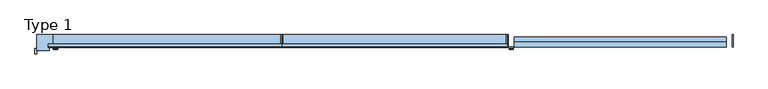
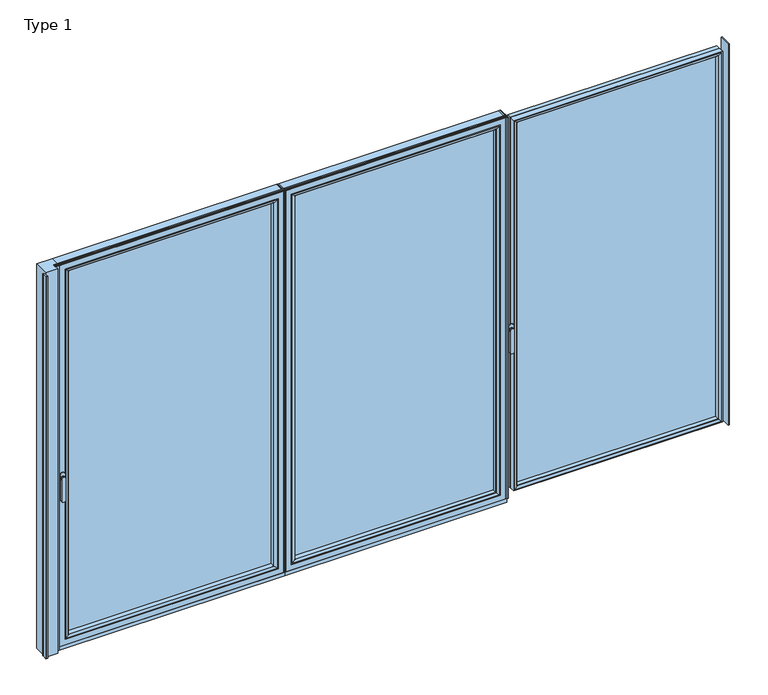
"""IFC4 building model written with IfcOpenShell, lengths in millimetres: window geometry, Type 1."""

from ifc_helpers import new_model, si_unit, point, frame, frame_2d, origin, place, context, project, spatial, polyline, circle_curve, ellipse_curve, trimmed, segment, composite_curve, outline, extrude, source, transform, mapped, element, save
from ifc_brep_helpers import plane_surface, cylinder_surface, extruded_surface, advanced_brep


def type_1_1b684b78(model_context):
    return source(origin(), model_context, "Body", "SolidModel", [
        advanced_brep(
        [(-1882.0115262, -73.5, 1050.0), (-1905.9887879, -73.5, 1050.0), (-1882.0115262, -76.8965533, 1050.0), (-1905.9887879, -76.8965533, 1050.0), (-1882.0115262, -84.5, 1050.0), (-1905.9887879, -84.5, 1050.0), (-1905.9887879, -84.5, 918.6867153), (-1882.0115262, -84.5, 918.6867153), (-1882.0115262, -76.8965533, 918.6867153), (-1905.9887879, -76.8965533, 918.6867153)],
        [
            (0, 1, circle_curve(frame((-1894.0001571, -73.5, 1050.0), z_axis=(0.0, 1.0, 0.0), x_axis=(-1.0, 0.0, 0.0)), 11.9886308)),
            (1, 0, circle_curve(frame((-1894.0001571, -73.5, 1050.0), z_axis=(0.0, 1.0, 0.0), x_axis=(-1.0, 0.0, 0.0)), 11.9886308)),
            (0, 2),
            (2, 3, circle_curve(frame((-1894.0001571, -76.8965533, 1050.0), z_axis=(0.0, 1.0, 0.0), x_axis=(-1.0, 0.0, 0.0)), 11.9886308)),
            (3, 1),
            (3, 2, circle_curve(frame((-1894.0001571, -76.8965533, 1050.0), z_axis=(0.0, 1.0, 0.0), x_axis=(-1.0, 0.0, 0.0)), 11.9886308)),
            (4, 5, circle_curve(frame((-1894.0001571, -84.5, 1050.0), z_axis=(0.0, -1.0, 0.0), x_axis=(-1.0, 0.0, 0.0)), 11.9886308)),
            (5, 6),
            (6, 7, ellipse_curve(frame((-1894.0001571, -84.5, 918.6867153), z_axis=(0.0, -1.0, 0.0), x_axis=(1.0, 0.0, 0.0)), 11.9886308, 7.9050795)),
            (7, 4),
            (2, 8),
            (8, 9, ellipse_curve(frame((-1894.0001571, -76.8965533, 918.6867153), z_axis=(0.0, 1.0, 0.0), x_axis=(1.0, 0.0, 0.0)), 11.9886308, 7.9050795)),
            (9, 3),
            (7, 8),
            (2, 4),
            (6, 9),
            (5, 3),
        ],
        [
            plane_surface(frame((-1905.9887879, -73.5, 1050.0), z_axis=(0.0, 1.0, 0.0), x_axis=(0.0, 0.0, -1.0))),
            cylinder_surface(frame((-1894.0001571, -73.5, 1050.0), z_axis=(0.0, -1.0, 0.0), x_axis=(-1.0, 0.0, 0.0)), 11.9886308),
            plane_surface(frame((-1882.0115262, -84.5, 928.3382074), z_axis=(0.0, -1.0, 0.0), x_axis=(0.0, 0.0, -1.0))),
            plane_surface(frame((-1882.0115262, -76.8965533, 928.3382074), z_axis=(0.0, 1.0, 0.0), x_axis=(0.0, 0.0, 1.0))),
            plane_surface(frame((-1882.0115262, -84.5, 1050.0), z_axis=(1.0, 0.0, 0.0), x_axis=(0.0, 1.0, 0.0))),
            extruded_surface(trimmed(ellipse_curve(frame((-1894.0001571, -76.8965533, 918.6867153), z_axis=(0.0, 1.0, 0.0), x_axis=(1.0, 0.0, 0.0)), 11.9886308, 7.9050795), [point((-1882.0115262, -76.8965533, 918.6867153))], [point((-1905.9887879, -76.8965533, 918.6867153))], True, "CARTESIAN"), (0.0, 7.603446699999992, 0.0), 7.603446699999992),
            plane_surface(frame((-1905.9887879, -84.5, 918.6867153), z_axis=(-1.0, 0.0, 0.0), x_axis=(0.0, 1.0, 0.0))),
            cylinder_surface(frame((-1894.0001571, -76.8965533, 1050.0), z_axis=(0.0, -1.0, 0.0), x_axis=(-1.0, 0.0, 0.0)), 11.9886308),
        ],
        [
            (0, [[1, 2]]),
            (1, [[3, 4, 5, -1]]),
            (1, [[-5, 6, -3, -2]]),
            (2, [[7, 8, 9, 10]]),
            (3, [[-4, 11, 12, 13]]),
            (4, [[14, -11, 15, -10]]),
            (5, [[16, -12, -14, -9]]),
            (6, [[17, -13, -16, -8]]),
            (7, [[-15, -6, -17, -7]]),
        ],
    ),
        extrude(outline(composite_curve([segment(trimmed(circle_curve(frame_2d((1068.75, -1894.0001571)), 14.0), [point((1068.75, -1880.0001571))], [point((1068.75, -1908.0001571))], False, "CARTESIAN"), True, "CONTINUOUS"), segment(polyline([(1068.75, -1908.0001571), (1031.25, -1908.0001571)]), True, "CONTINUOUS"), segment(trimmed(circle_curve(frame_2d((1031.25, -1894.0001571)), 14.0), [point((1031.25, -1908.0001571))], [point((1031.25, -1880.0001571))], False, "CARTESIAN"), True, "CONTINUOUS"), segment(polyline([(1031.25, -1880.0001571), (1068.75, -1880.0001571)]), True, "CONTINUOUS")], self_intersect=False)), frame((0.0, -73.5, 0.0), z_axis=(0.0, 1.0, 0.0), x_axis=(0.0, 0.0, 1.0)), (0.0, 0.0, 1.0), 3.5),
        advanced_brep(
        [(-2000.0005233, 0.0, 12.0), (-1910.0005233, 0.0, 12.0), (-1910.0005233, -70.0, 12.0), (-1930.0005233, -70.0, 12.0), (-1930.0005233, -90.0, 12.0), (-2000.0005233, -90.0, 12.0), (-2000.0005233, -90.0, 19.1682054), (-2000.0005233, -78.0, 19.1682054), (-2000.0005233, -78.0, 2327.0), (-2000.0005233, -90.0, 2327.0), (-2000.0005233, -90.0, 2337.0), (-2000.0005233, 0.0, 2337.0), (-1930.0005233, -90.0, 2337.0), (-1930.0005233, -70.0, 2337.0), (-1910.0005233, -70.0, 2337.0), (-1910.0005233, 0.0, 2337.0), (-2007.5005233, -78.0, 19.1682054), (-2007.5005233, -78.0, 2327.0), (-2000.0005233, -109.0, 19.1682054), (-2007.5005233, -109.0, 19.1682054), (-2010.0005233, -106.5, 19.1682054), (-2010.0005233, -80.5, 19.1682054), (-2000.0005233, -109.0, 2327.0), (-2010.0005233, -80.5, 2327.0), (-2010.0005233, -106.5, 2327.0), (-2007.5005233, -109.0, 2327.0)],
        [
            (0, 1),
            (1, 2),
            (2, 3),
            (3, 4),
            (4, 5),
            (5, 0),
            (5, 6),
            (6, 7),
            (7, 8),
            (8, 9),
            (9, 10),
            (10, 11),
            (11, 0),
            (4, 12),
            (12, 10),
            (9, 6),
            (3, 13),
            (13, 12),
            (2, 14),
            (14, 13),
            (1, 15),
            (15, 14),
            (11, 15),
            (16, 17),
            (17, 8),
            (7, 16),
            (6, 18),
            (18, 19),
            (19, 20, circle_curve(frame((-2007.5005233, -106.5, 19.1682054), z_axis=(0.0, 0.0, -1.0), x_axis=(0.0, -1.0, 0.0)), 2.5)),
            (20, 21),
            (21, 16, circle_curve(frame((-2007.5005233, -80.5, 19.1682054), z_axis=(0.0, 0.0, -1.0), x_axis=(0.0, -1.0, 0.0)), 2.5)),
            (9, 22),
            (22, 18),
            (21, 23),
            (23, 17, circle_curve(frame((-2007.5005233, -80.5, 2327.0), z_axis=(0.0, 0.0, -1.0), x_axis=(0.0, -1.0, 0.0)), 2.5)),
            (20, 24),
            (24, 23),
            (19, 25),
            (25, 24, circle_curve(frame((-2007.5005233, -106.5, 2327.0), z_axis=(0.0, 0.0, -1.0), x_axis=(0.0, -1.0, 0.0)), 2.5)),
            (22, 25),
        ],
        [
            plane_surface(frame((-1910.0001571, 0.0, 12.0), z_axis=(0.0, 0.0, -1.0), x_axis=(-1.0, 0.0, 0.0))),
            plane_surface(frame((-2000.0005233, 0.0, 12.0), z_axis=(-1.0, 0.0, 0.0), x_axis=(0.0, 0.0, 1.0))),
            plane_surface(frame((-2000.0005233, -90.0, 12.0), z_axis=(0.0, -1.0, 0.0), x_axis=(0.0, 0.0, 1.0))),
            plane_surface(frame((-1930.0005233, -90.0, 12.0), z_axis=(1.0, 0.0, 0.0), x_axis=(0.0, 0.0, 1.0))),
            plane_surface(frame((-1930.0005233, -70.0, 12.0), z_axis=(0.0, -1.0, 0.0), x_axis=(0.0, 0.0, 1.0))),
            plane_surface(frame((-1910.0005233, -70.0, 12.0), z_axis=(1.0, 0.0, 0.0), x_axis=(0.0, 0.0, 1.0))),
            plane_surface(frame((-1910.0005233, 0.0, 12.0), z_axis=(0.0, 1.0, 0.0), x_axis=(0.0, 0.0, 1.0))),
            plane_surface(frame((-1910.0001571, 0.0, 2337.0), z_axis=(0.0, 0.0, 1.0), x_axis=(-1.0, 0.0, 0.0))),
            plane_surface(frame((-2000.0005233, -78.0, 19.1682054), z_axis=(0.0, 1.0, 0.0), x_axis=(0.0, 0.0, 1.0))),
            plane_surface(frame((-2000.0005233, 0.0, 19.1682054), z_axis=(0.0, 0.0, -1.0), x_axis=(-1.0, 0.0, 0.0))),
            plane_surface(frame((-2000.0005233, -109.0, 19.1682054), z_axis=(1.0, 0.0, 0.0), x_axis=(0.0, 0.0, 1.0))),
            cylinder_surface(frame((-2007.5005233, -80.5, 19.1682054), z_axis=(0.0, 0.0, -1.0), x_axis=(0.0, -1.0, 0.0)), 2.5),
            plane_surface(frame((-2010.0005233, -80.5, 19.1682054), z_axis=(-1.0, 0.0, 0.0), x_axis=(0.0, 0.0, 1.0))),
            cylinder_surface(frame((-2007.5005233, -106.5, 19.1682054), z_axis=(0.0, 0.0, -1.0), x_axis=(0.0, -1.0, 0.0)), 2.5),
            plane_surface(frame((-2007.5005233, -109.0, 19.1682054), z_axis=(0.0, -1.0, 0.0), x_axis=(0.0, 0.0, 1.0))),
            plane_surface(frame((-2000.0005233, 0.0, 2327.0), z_axis=(0.0, 0.0, 1.0), x_axis=(-1.0, 0.0, 0.0))),
        ],
        [
            (0, [[1, 2, 3, 4, 5, 6]]),
            (1, [[7, 8, 9, 10, 11, 12, 13, -6]]),
            (2, [[14, 15, -11, 16, -7, -5]]),
            (3, [[17, 18, -14, -4]]),
            (4, [[19, 20, -17, -3]]),
            (5, [[21, 22, -19, -2]]),
            (6, [[-13, 23, -21, -1]]),
            (7, [[-12, -15, -18, -20, -22, -23]]),
            (8, [[24, 25, -9, 26]]),
            (9, [[-8, 27, 28, 29, 30, 31, -26]]),
            (10, [[-27, -16, 32, 33]]),
            (11, [[34, 35, -24, -31]]),
            (12, [[36, 37, -34, -30]]),
            (13, [[38, 39, -36, -29]]),
            (14, [[-33, 40, -38, -28]]),
            (15, [[-32, -10, -25, -35, -37, -39, -40]]),
        ],
    ),
        extrude(outline(polyline([(-622.0001571, 0.0), (-622.0001571, -70.0), (-628.0001571, -70.0), (-628.0001571, 0.0), (-622.0001571, 0.0)])), frame((0.0, 0.0, 34.0), z_axis=(0.0, 0.0, 1.0), x_axis=(1.0, 0.0, 0.0)), (0.0, 0.0, 1.0), 2303.0),
        extrude(outline(polyline([(-660.0001571, -13.999939), (-660.0001571, -37.9928974), (-1878.0001571, -37.9928974), (-1878.0001571, -13.999939), (-660.0001571, -13.999939)])), frame((0.0, 0.0, 66.0), z_axis=(0.0, 0.0, 1.0), x_axis=(1.0, 0.0, 0.0)), (0.0, 0.0, 1.0), 2239.0),
        advanced_brep(
        [(-1856.0005843, -64.5552044, 2283.0004272), (-1856.0005843, -64.5552044, 87.9995728), (-1856.0005843, -37.9928974, 87.9995728), (-1856.0005843, -37.9928974, 2283.0004272), (-1878.0001571, -37.9928974, 2305.0), (-660.0001571, -37.9928974, 2305.0), (-660.0001571, -37.9928974, 66.0), (-1878.0001571, -37.9928974, 66.0), (-681.9997298, -37.9928974, 2283.0004272), (-681.9997298, -37.9928974, 87.9995728), (-681.9997298, -64.5552044, 87.9995728), (-1856.7101277, -65.8045072, 2283.7099707), (-1856.7101277, -65.8045072, 87.2900293), (-681.2901864, -65.8045072, 87.2900293), (-1872.0002181, -70.0, 2299.000061), (-1872.0002181, -70.0, 71.999939), (-666.000096, -70.0, 71.999939), (-660.0001571, -70.0, 2305.0), (-1878.0001571, -70.0, 2305.0), (-1878.0001571, -70.0, 66.0), (-660.0001571, -70.0, 66.0), (-666.000096, -70.0, 2299.000061), (-681.9997298, -64.5552044, 2283.0004272), (-681.2901864, -65.8045072, 2283.7099707)],
        [
            (0, 1),
            (1, 2),
            (2, 3),
            (3, 0),
            (4, 5),
            (5, 6),
            (6, 7),
            (7, 4),
            (8, 3),
            (2, 9),
            (9, 8),
            (1, 10),
            (10, 9),
            (11, 12),
            (12, 1, ellipse_curve(frame((-1857.4551883, -64.5552044, 86.5449688), z_axis=(-0.7071067811865475, 0.0, 0.7071067811865475), x_axis=(0.7071067811865474, 0.0, 0.7071067811865476)), 2.0571207, 1.454604)),
            (0, 11, ellipse_curve(frame((-1857.4551883, -64.5552044, 2284.4550312), z_axis=(-0.7071067811865475, 0.0, -0.7071067811865475), x_axis=(-0.7071067811865474, 0.0, 0.7071067811865476)), 2.0571207, 1.454604)),
            (12, 13),
            (13, 10, ellipse_curve(frame((-680.5451258, -64.5552044, 86.5449688), z_axis=(-0.7071067811865475, 0.0, -0.7071067811865475), x_axis=(-0.7071067811865476, 0.0, 0.7071067811865474)), 2.0571207, 1.454604)),
            (14, 15),
            (15, 12, ellipse_curve(frame((-1871.9362825, -40.2735922, 72.0638746), z_axis=(-0.7071067811865475, 0.0, 0.7071067811865475), x_axis=(0.7071067811865474, 0.0, 0.7071067811865476)), 42.0395863, 29.7264765)),
            (11, 14, ellipse_curve(frame((-1871.9362825, -40.2735922, 2298.9361254), z_axis=(-0.7071067811865475, 0.0, -0.7071067811865475), x_axis=(-0.7071067811865474, 0.0, 0.7071067811865476)), 42.0395863, 29.7264765)),
            (15, 16),
            (16, 13, ellipse_curve(frame((-666.0640316, -40.2735922, 72.0638746), z_axis=(-0.7071067811865475, 0.0, -0.7071067811865475), x_axis=(-0.7071067811865476, 0.0, 0.7071067811865474)), 42.0395863, 29.7264765)),
            (17, 18),
            (18, 19),
            (19, 20),
            (20, 17),
            (14, 21),
            (21, 16),
            (7, 19),
            (18, 4),
            (6, 20),
            (10, 22),
            (22, 8),
            (13, 23),
            (23, 22, ellipse_curve(frame((-680.5451258, -64.5552044, 2284.4550312), z_axis=(0.7071067811865475, 0.0, -0.7071067811865475), x_axis=(-0.7071067811865474, 0.0, -0.7071067811865476)), 2.0571207, 1.454604)),
            (21, 23, ellipse_curve(frame((-666.0640316, -40.2735922, 2298.9361254), z_axis=(0.7071067811865475, 0.0, -0.7071067811865475), x_axis=(-0.7071067811865474, 0.0, -0.7071067811865476)), 42.0395863, 29.7264765)),
            (5, 17),
            (22, 0),
            (23, 11),
        ],
        [
            plane_surface(frame((-1856.0005843, -37.9928974, 2283.0004272), z_axis=(1.0, 0.0, 0.0), x_axis=(0.0, 0.0, -1.0))),
            plane_surface(frame((-660.0001571, -37.9928974, 66.0), z_axis=(0.0, 1.0, 0.0), x_axis=(0.0, 0.0, 1.0))),
            plane_surface(frame((-1856.0005843, -37.9928974, 87.9995728), z_axis=(0.0, 0.0, 1.0), x_axis=(1.0, 0.0, 0.0))),
            cylinder_surface(frame((-1857.4551883, -64.5552044, 2283.0004272), z_axis=(0.0, 0.0, 1.0), x_axis=(-1.0, 0.0, 0.0)), 1.454604),
            cylinder_surface(frame((-1856.0005843, -64.5552044, 86.5449688), z_axis=(-1.0, 0.0, 0.0), x_axis=(0.0, 0.0, -1.0)), 1.454604),
            cylinder_surface(frame((-1871.9362825, -40.2735922, 2283.0004272), z_axis=(0.0, 0.0, 1.0), x_axis=(-1.0, 0.0, 0.0)), 29.7264765),
            cylinder_surface(frame((-1856.0005843, -40.2735922, 72.0638746), z_axis=(-1.0, 0.0, 0.0), x_axis=(0.0, 0.0, -1.0)), 29.7264765),
            plane_surface(frame((-666.000096, -70.0, 71.999939), z_axis=(0.0, -1.0, 0.0), x_axis=(0.0, 0.0, 1.0))),
            plane_surface(frame((-1878.0001571, -70.0, 2305.0), z_axis=(-1.0, 0.0, 0.0), x_axis=(0.0, 0.0, -1.0))),
            plane_surface(frame((-1878.0001571, -70.0, 66.0), z_axis=(0.0, 0.0, -1.0), x_axis=(1.0, 0.0, 0.0))),
            plane_surface(frame((-681.9997298, -37.9928974, 87.9995728), z_axis=(-1.0, 0.0, 0.0), x_axis=(0.0, 0.0, 1.0))),
            cylinder_surface(frame((-680.5451258, -64.5552044, 87.9995728), z_axis=(0.0, 0.0, -1.0), x_axis=(1.0, 0.0, 0.0)), 1.454604),
            cylinder_surface(frame((-666.0640316, -40.2735922, 87.9995728), z_axis=(0.0, 0.0, -1.0), x_axis=(1.0, 0.0, 0.0)), 29.7264765),
            plane_surface(frame((-660.0001571, -70.0, 66.0), z_axis=(1.0, 0.0, 0.0), x_axis=(0.0, 0.0, 1.0))),
            plane_surface(frame((-681.9997298, -37.9928974, 2283.0004272), z_axis=(0.0, 0.0, -1.0), x_axis=(-1.0, 0.0, 0.0))),
            cylinder_surface(frame((-681.9997298, -64.5552044, 2284.4550312), z_axis=(1.0, 0.0, 0.0), x_axis=(0.0, 0.0, 1.0)), 1.454604),
            cylinder_surface(frame((-681.9997298, -40.2735922, 2298.9361254), z_axis=(1.0, 0.0, 0.0), x_axis=(0.0, 0.0, 1.0)), 29.7264765),
            plane_surface(frame((-660.0001571, -70.0, 2305.0), z_axis=(0.0, 0.0, 1.0), x_axis=(-1.0, 0.0, 0.0))),
        ],
        [
            (0, [[1, 2, 3, 4]]),
            (1, [[5, 6, 7, 8], [9, -3, 10, 11]]),
            (2, [[12, 13, -10, -2]]),
            (3, [[14, 15, -1, 16]]),
            (4, [[17, 18, -12, -15]]),
            (5, [[19, 20, -14, 21]]),
            (6, [[22, 23, -17, -20]]),
            (7, [[24, 25, 26, 27], [28, 29, -22, -19]]),
            (8, [[-8, 30, -25, 31]]),
            (9, [[-7, 32, -26, -30]]),
            (10, [[33, 34, -11, -13]]),
            (11, [[35, 36, -33, -18]]),
            (12, [[-29, 37, -35, -23]]),
            (13, [[-6, 38, -27, -32]]),
            (14, [[39, -4, -9, -34]]),
            (15, [[40, -16, -39, -36]]),
            (16, [[-28, -21, -40, -37]]),
            (17, [[-5, -31, -24, -38]]),
        ],
    ),
        advanced_brep(
        [(-628.0001571, -70.0, 2337.0), (-628.0001571, -70.0, 34.0), (-628.0001571, 0.0, 34.0), (-628.0001571, 0.0, 2337.0), (-1910.0001571, -70.0, 34.0), (-1910.0001571, 0.0, 34.0), (-1910.0001571, 0.0, 2337.0), (-1860.500967, 0.0, 83.4991901), (-677.4993471, 0.0, 83.4991901), (-677.4993471, 0.0, 2287.5008099), (-1860.500967, 0.0, 2287.5008099), (-1910.0001571, -70.0, 2337.0), (-660.0001571, -70.0, 66.0), (-1878.0001571, -70.0, 66.0), (-1878.0001571, -70.0, 2305.0), (-660.0001571, -70.0, 2305.0), (-660.0001571, -13.999939, 2305.0), (-660.0001571, -13.999939, 66.0), (-1878.0001571, -13.999939, 66.0), (-1878.0001571, -13.999939, 2305.0), (-681.9997298, -13.999939, 87.9995728), (-1856.0005843, -13.999939, 87.9995728), (-1856.0005843, -13.999939, 2283.0004272), (-681.9997298, -13.999939, 2283.0004272), (-681.9997298, -4.5004435, 2283.0004272), (-681.9997298, -4.5004435, 87.9995728), (-1856.0005843, -4.5004435, 87.9995728), (-1856.0005843, -4.5004435, 2283.0004272)],
        [
            (0, 1),
            (1, 2),
            (2, 3),
            (3, 0),
            (1, 4),
            (4, 5),
            (5, 2),
            (5, 6),
            (6, 3),
            (7, 8),
            (8, 9),
            (9, 10),
            (10, 7),
            (4, 11),
            (11, 6),
            (0, 11),
            (12, 13),
            (13, 14),
            (14, 15),
            (15, 12),
            (16, 17),
            (17, 12),
            (15, 16),
            (17, 18),
            (18, 13),
            (18, 19),
            (19, 14),
            (16, 19),
            (20, 21),
            (21, 22),
            (22, 23),
            (23, 20),
            (24, 25),
            (25, 20),
            (23, 24),
            (25, 26),
            (26, 21),
            (26, 27),
            (27, 22),
            (7, 26, ellipse_curve(frame((-1860.500967, -4.5004435, 83.4991901), z_axis=(0.7071067811865475, 0.0, -0.7071067811865475), x_axis=(0.7071067811865476, 0.0, 0.7071067811865474)), 6.3645023, 4.5003827)),
            (25, 8, ellipse_curve(frame((-677.4993471, -4.5004435, 83.4991901), z_axis=(-0.7071067811865475, 0.0, -0.7071067811865475), x_axis=(0.7071067811865476, 0.0, -0.7071067811865474)), 6.3645023, 4.5003827)),
            (24, 9, ellipse_curve(frame((-677.4993471, -4.5004435, 2287.5008099), z_axis=(0.7071067811865475, 0.0, -0.7071067811865475), x_axis=(0.7071067811865474, 0.0, 0.7071067811865476)), 6.3645023, 4.5003827)),
            (10, 27, ellipse_curve(frame((-1860.500967, -4.5004435, 2287.5008099), z_axis=(-0.7071067811865475, 0.0, -0.7071067811865475), x_axis=(0.7071067811865474, 0.0, -0.7071067811865476)), 6.3645023, 4.5003827)),
            (27, 24),
        ],
        [
            plane_surface(frame((-628.0001571, 0.0, 2337.0), z_axis=(1.0, 0.0, 0.0), x_axis=(0.0, 0.0, -1.0))),
            plane_surface(frame((-628.0001571, 0.0, 34.0), z_axis=(0.0, 0.0, -1.0), x_axis=(-1.0, 0.0, 0.0))),
            plane_surface(frame((-677.4993471, 0.0, 2287.5008099), z_axis=(0.0, 1.0, 0.0), x_axis=(0.0, 0.0, -1.0))),
            plane_surface(frame((-1910.0001571, 0.0, 34.0), z_axis=(-1.0, 0.0, 0.0), x_axis=(0.0, 0.0, 1.0))),
            plane_surface(frame((-628.0001571, -70.0, 2337.0), z_axis=(0.0, -1.0, 0.0), x_axis=(0.0, 0.0, -1.0))),
            plane_surface(frame((-660.0001571, -70.0, 2305.0), z_axis=(-1.0, 0.0, 0.0), x_axis=(0.0, 0.0, -1.0))),
            plane_surface(frame((-660.0001571, -70.0, 66.0), z_axis=(0.0, 0.0, 1.0), x_axis=(-1.0, 0.0, 0.0))),
            plane_surface(frame((-1878.0001571, -70.0, 66.0), z_axis=(1.0, 0.0, 0.0), x_axis=(0.0, 0.0, 1.0))),
            plane_surface(frame((-660.0001571, -13.999939, 2305.0), z_axis=(0.0, -1.0, 0.0), x_axis=(0.0, 0.0, -1.0))),
            plane_surface(frame((-681.9997298, -13.999939, 2283.0004272), z_axis=(-1.0, 0.0, 0.0), x_axis=(0.0, 0.0, -1.0))),
            plane_surface(frame((-681.9997298, -13.999939, 87.9995728), z_axis=(0.0, 0.0, 1.0), x_axis=(-1.0, 0.0, 0.0))),
            plane_surface(frame((-1856.0005843, -13.999939, 87.9995728), z_axis=(1.0, 0.0, 0.0), x_axis=(0.0, 0.0, 1.0))),
            cylinder_surface(frame((-622.0001571, -4.5004435, 83.4991901), z_axis=(1.0, 0.0, 0.0), x_axis=(0.0, -1.0, 0.0)), 4.5003827),
            cylinder_surface(frame((-677.4993471, -4.5004435, 2343.0), z_axis=(0.0, 0.0, 1.0), x_axis=(0.0, -1.0, 0.0)), 4.5003827),
            cylinder_surface(frame((-1860.500967, -4.5004435, 28.0), z_axis=(0.0, 0.0, -1.0), x_axis=(0.0, -1.0, 0.0)), 4.5003827),
            plane_surface(frame((-1910.0001571, 0.0, 2337.0), z_axis=(0.0, 0.0, 1.0), x_axis=(1.0, 0.0, 0.0))),
            plane_surface(frame((-1878.0001571, -70.0, 2305.0), z_axis=(0.0, 0.0, -1.0), x_axis=(1.0, 0.0, 0.0))),
            plane_surface(frame((-1856.0005843, -13.999939, 2283.0004272), z_axis=(0.0, 0.0, -1.0), x_axis=(1.0, 0.0, 0.0))),
            cylinder_surface(frame((-1916.0001571, -4.5004435, 2287.5008099), z_axis=(-1.0, 0.0, 0.0), x_axis=(0.0, -1.0, 0.0)), 4.5003827),
        ],
        [
            (0, [[1, 2, 3, 4]]),
            (1, [[5, 6, 7, -2]]),
            (2, [[-7, 8, 9, -3], [10, 11, 12, 13]]),
            (3, [[14, 15, -8, -6]]),
            (4, [[-5, -1, 16, -14], [17, 18, 19, 20]]),
            (5, [[21, 22, -20, 23]]),
            (6, [[24, 25, -17, -22]]),
            (7, [[26, 27, -18, -25]]),
            (8, [[-24, -21, 28, -26], [29, 30, 31, 32]]),
            (9, [[33, 34, -32, 35]]),
            (10, [[36, 37, -29, -34]]),
            (11, [[38, 39, -30, -37]]),
            (12, [[-10, 40, -36, 41]]),
            (13, [[-11, -41, -33, 42]]),
            (14, [[-13, 43, -38, -40]]),
            (15, [[-16, -4, -9, -15]]),
            (16, [[-28, -23, -19, -27]]),
            (17, [[44, -35, -31, -39]]),
            (18, [[-12, -42, -44, -43]]),
        ],
    ),
        extrude(outline(composite_curve([segment(polyline([(-52.044326, 2339.1400778), (-52.044326, 2337.0), (-70.0, 2337.0), (-71.8735116, 2343.9547971)]), True, "CONTINUOUS"), segment(trimmed(circle_curve(frame_2d((-69.9423544, 2344.4750201)), 2.0), [point((-71.8735116, 2343.9547971))], [point((-71.8738669, 2344.9939222))], False, "CARTESIAN"), True, "CONTINUOUS"), segment(polyline([(-71.8738669, 2344.9939222), (-70.8937897, 2348.6420698), (-70.0, 2348.6420698), (-70.0, 2342.963961), (-68.6363596, 2339.1400778), (-52.044326, 2339.1400778)]), True, "CONTINUOUS")], self_intersect=False)), frame((-1933.6001571, 0.0, 0.0), z_axis=(1.0, 0.0, 0.0), x_axis=(0.0, 1.0, 0.0)), (0.0, 0.0, 1.0), 1311.6),
        extrude(outline(polyline([(-622.0001571, -7.6000076), (-1910.0001571, -7.6000076), (-1910.0001571, 0.0), (-622.0001571, 0.0), (-622.0001571, -7.6000076)])), frame((0.0, 0.0, 12.0), z_axis=(0.0, 0.0, 1.0), x_axis=(1.0, 0.0, 0.0)), (0.0, 0.0, 1.0), 22.0),
        extrude(outline(polyline([(-622.0001571, -70.0), (-1910.0001571, -70.0), (-1910.0001571, -62.2757497), (-622.0001571, -62.2757497), (-622.0001571, -70.0)])), frame((0.0, 0.0, 12.0), z_axis=(0.0, 0.0, 1.0), x_axis=(1.0, 0.0, 0.0)), (0.0, 0.0, 1.0), 22.0),
        extrude(outline(polyline([(-622.0000785, 0.0), (-616.0000785, 0.0), (-616.0000785, -70.0), (-622.0000785, -70.0), (-622.0000785, 0.0)])), frame((0.0, 0.0, 34.0), z_axis=(0.0, 0.0, 1.0), x_axis=(1.0, 0.0, 0.0)), (0.0, 0.0, 1.0), 2303.0),
        extrude(outline(polyline([(648.3999215, 0.0), (648.3999215, -70.0), (642.3999215, -70.0), (642.3999215, 0.0), (648.3999215, 0.0)])), frame((0.0, 0.0, 34.0), z_axis=(0.0, 0.0, 1.0), x_axis=(1.0, 0.0, 0.0)), (0.0, 0.0, 1.0), 2303.0),
        extrude(outline(polyline([(-584.0000785, -13.999939), (610.3999215, -13.999939), (610.3999215, -37.9928974), (-584.0000785, -37.9928974), (-584.0000785, -13.999939)])), frame((0.0, 0.0, 66.0), z_axis=(0.0, 0.0, 1.0), x_axis=(1.0, 0.0, 0.0)), (0.0, 0.0, 1.0), 2239.0),
        advanced_brep(
        [(588.4003487, -64.5552044, 2283.0004272), (588.4003487, -37.9928974, 2283.0004272), (588.4003487, -37.9928974, 87.9995728), (588.4003487, -64.5552044, 87.9995728), (610.3999215, -37.9928974, 2305.0), (610.3999215, -37.9928974, 66.0), (-584.0000785, -37.9928974, 66.0), (-584.0000785, -37.9928974, 2305.0), (-562.0005058, -37.9928974, 2283.0004272), (-562.0005058, -37.9928974, 87.9995728), (-562.0005058, -64.5552044, 87.9995728), (589.1098921, -65.8045072, 2283.7099707), (589.1098921, -65.8045072, 87.2900293), (-562.7100492, -65.8045072, 87.2900293), (604.3999825, -70.0, 2299.000061), (604.3999825, -70.0, 71.999939), (-578.0001396, -70.0, 71.999939), (-584.0000785, -70.0, 2305.0), (-584.0000785, -70.0, 66.0), (610.3999215, -70.0, 66.0), (610.3999215, -70.0, 2305.0), (-578.0001396, -70.0, 2299.000061), (-562.0005058, -64.5552044, 2283.0004272), (-562.7100492, -65.8045072, 2283.7099707)],
        [
            (0, 1),
            (1, 2),
            (2, 3),
            (3, 0),
            (4, 5),
            (5, 6),
            (6, 7),
            (7, 4),
            (8, 9),
            (9, 2),
            (1, 8),
            (9, 10),
            (10, 3),
            (11, 0, ellipse_curve(frame((589.8549527, -64.5552044, 2284.4550312), z_axis=(0.7071067811865475, 0.0, -0.7071067811865475), x_axis=(0.7071067811865474, 0.0, 0.7071067811865476)), 2.0571207, 1.454604)),
            (3, 12, ellipse_curve(frame((589.8549527, -64.5552044, 86.5449688), z_axis=(0.7071067811865475, 0.0, 0.7071067811865475), x_axis=(-0.7071067811865474, 0.0, 0.7071067811865476)), 2.0571207, 1.454604)),
            (12, 11),
            (10, 13, ellipse_curve(frame((-563.4551097, -64.5552044, 86.5449688), z_axis=(0.7071067811865475, 0.0, -0.7071067811865475), x_axis=(0.7071067811865476, 0.0, 0.7071067811865474)), 2.0571207, 1.454604)),
            (13, 12),
            (14, 11, ellipse_curve(frame((604.3360469, -40.2735922, 2298.9361254), z_axis=(0.7071067811865475, 0.0, -0.7071067811865475), x_axis=(0.7071067811865474, 0.0, 0.7071067811865476)), 42.0395863, 29.7264765)),
            (12, 15, ellipse_curve(frame((604.3360469, -40.2735922, 72.0638746), z_axis=(0.7071067811865475, 0.0, 0.7071067811865475), x_axis=(-0.7071067811865474, 0.0, 0.7071067811865476)), 42.0395863, 29.7264765)),
            (15, 14),
            (13, 16, ellipse_curve(frame((-577.936204, -40.2735922, 72.0638746), z_axis=(0.7071067811865475, 0.0, -0.7071067811865475), x_axis=(0.7071067811865476, 0.0, 0.7071067811865474)), 42.0395863, 29.7264765)),
            (16, 15),
            (17, 18),
            (18, 19),
            (19, 20),
            (20, 17),
            (16, 21),
            (21, 14),
            (4, 20),
            (19, 5),
            (18, 6),
            (8, 22),
            (22, 10),
            (22, 23, ellipse_curve(frame((-563.4551097, -64.5552044, 2284.4550312), z_axis=(-0.7071067811865475, 0.0, -0.7071067811865475), x_axis=(0.7071067811865474, 0.0, -0.7071067811865476)), 2.0571207, 1.454604)),
            (23, 13),
            (23, 21, ellipse_curve(frame((-577.936204, -40.2735922, 2298.9361254), z_axis=(-0.7071067811865475, 0.0, -0.7071067811865475), x_axis=(0.7071067811865474, 0.0, -0.7071067811865476)), 42.0395863, 29.7264765)),
            (17, 7),
            (0, 22),
            (11, 23),
        ],
        [
            plane_surface(frame((588.4003487, -37.9928974, 2283.0004272), z_axis=(-1.0, 0.0, 0.0), x_axis=(0.0, 0.0, -1.0))),
            plane_surface(frame((-584.0000785, -37.9928974, 66.0), z_axis=(0.0, 1.0, 0.0), x_axis=(0.0, 0.0, 1.0))),
            plane_surface(frame((588.4003487, -37.9928974, 87.9995728), z_axis=(0.0, 0.0, 1.0), x_axis=(-1.0, 0.0, 0.0))),
            cylinder_surface(frame((589.8549527, -64.5552044, 2283.0004272), z_axis=(0.0, 0.0, 1.0), x_axis=(1.0, 0.0, 0.0)), 1.454604),
            cylinder_surface(frame((588.4003487, -64.5552044, 86.5449688), z_axis=(1.0, 0.0, 0.0), x_axis=(0.0, 0.0, -1.0)), 1.454604),
            cylinder_surface(frame((604.3360469, -40.2735922, 2283.0004272), z_axis=(0.0, 0.0, 1.0), x_axis=(1.0, 0.0, 0.0)), 29.7264765),
            cylinder_surface(frame((588.4003487, -40.2735922, 72.0638746), z_axis=(1.0, 0.0, 0.0), x_axis=(0.0, 0.0, -1.0)), 29.7264765),
            plane_surface(frame((-578.0001396, -70.0, 71.999939), z_axis=(0.0, -1.0, 0.0), x_axis=(0.0, 0.0, 1.0))),
            plane_surface(frame((610.3999215, -70.0, 2305.0), z_axis=(1.0, 0.0, 0.0), x_axis=(0.0, 0.0, -1.0))),
            plane_surface(frame((610.3999215, -70.0, 66.0), z_axis=(0.0, 0.0, -1.0), x_axis=(-1.0, 0.0, 0.0))),
            plane_surface(frame((-562.0005058, -37.9928974, 87.9995728), z_axis=(1.0, 0.0, 0.0), x_axis=(0.0, 0.0, 1.0))),
            cylinder_surface(frame((-563.4551097, -64.5552044, 87.9995728), z_axis=(0.0, 0.0, -1.0), x_axis=(-1.0, 0.0, 0.0)), 1.454604),
            cylinder_surface(frame((-577.936204, -40.2735922, 87.9995728), z_axis=(0.0, 0.0, -1.0), x_axis=(-1.0, 0.0, 0.0)), 29.7264765),
            plane_surface(frame((-584.0000785, -70.0, 66.0), z_axis=(-1.0, 0.0, 0.0), x_axis=(0.0, 0.0, 1.0))),
            plane_surface(frame((-562.0005058, -37.9928974, 2283.0004272), z_axis=(0.0, 0.0, -1.0), x_axis=(1.0, 0.0, 0.0))),
            cylinder_surface(frame((-562.0005058, -64.5552044, 2284.4550312), z_axis=(-1.0, 0.0, 0.0), x_axis=(0.0, 0.0, 1.0)), 1.454604),
            cylinder_surface(frame((-562.0005058, -40.2735922, 2298.9361254), z_axis=(-1.0, 0.0, 0.0), x_axis=(0.0, 0.0, 1.0)), 29.7264765),
            plane_surface(frame((-584.0000785, -70.0, 2305.0), z_axis=(0.0, 0.0, 1.0), x_axis=(1.0, 0.0, 0.0))),
        ],
        [
            (0, [[1, 2, 3, 4]]),
            (1, [[5, 6, 7, 8], [9, 10, -2, 11]]),
            (2, [[-3, -10, 12, 13]]),
            (3, [[14, -4, 15, 16]]),
            (4, [[-15, -13, 17, 18]]),
            (5, [[19, -16, 20, 21]]),
            (6, [[-20, -18, 22, 23]]),
            (7, [[24, 25, 26, 27], [-21, -23, 28, 29]]),
            (8, [[30, -26, 31, -5]]),
            (9, [[-31, -25, 32, -6]]),
            (10, [[-12, -9, 33, 34]]),
            (11, [[-17, -34, 35, 36]]),
            (12, [[-22, -36, 37, -28]]),
            (13, [[-32, -24, 38, -7]]),
            (14, [[-33, -11, -1, 39]]),
            (15, [[-35, -39, -14, 40]]),
            (16, [[-37, -40, -19, -29]]),
            (17, [[-38, -27, -30, -8]]),
        ],
    ),
        advanced_brep(
        [(-616.0000785, -70.0, 2337.0), (-616.0000785, 0.0, 2337.0), (-616.0000785, 0.0, 34.0), (-616.0000785, -70.0, 34.0), (642.3999215, 0.0, 34.0), (642.3999215, -70.0, 34.0), (642.3999215, 0.0, 2337.0), (592.9007314, 0.0, 83.4991901), (592.9007314, 0.0, 2287.5008099), (-566.5008885, 0.0, 2287.5008099), (-566.5008885, 0.0, 83.4991901), (642.3999215, -70.0, 2337.0), (-584.0000785, -70.0, 66.0), (-584.0000785, -70.0, 2305.0), (610.3999215, -70.0, 2305.0), (610.3999215, -70.0, 66.0), (-584.0000785, -13.999939, 2305.0), (-584.0000785, -13.999939, 66.0), (610.3999215, -13.999939, 66.0), (610.3999215, -13.999939, 2305.0), (-562.0005058, -13.999939, 87.9995728), (-562.0005058, -13.999939, 2283.0004272), (588.4003487, -13.999939, 2283.0004272), (588.4003487, -13.999939, 87.9995728), (-562.0005058, -4.5004435, 2283.0004272), (-562.0005058, -4.5004435, 87.9995728), (588.4003487, -4.5004435, 87.9995728), (588.4003487, -4.5004435, 2283.0004272)],
        [
            (0, 1),
            (1, 2),
            (2, 3),
            (3, 0),
            (2, 4),
            (4, 5),
            (5, 3),
            (1, 6),
            (6, 4),
            (7, 8),
            (8, 9),
            (9, 10),
            (10, 7),
            (6, 11),
            (11, 5),
            (11, 0),
            (12, 13),
            (13, 14),
            (14, 15),
            (15, 12),
            (16, 13),
            (12, 17),
            (17, 16),
            (15, 18),
            (18, 17),
            (14, 19),
            (19, 18),
            (19, 16),
            (20, 21),
            (21, 22),
            (22, 23),
            (23, 20),
            (24, 21),
            (20, 25),
            (25, 24),
            (23, 26),
            (26, 25),
            (22, 27),
            (27, 26),
            (10, 25, ellipse_curve(frame((-566.5008885, -4.5004435, 83.4991901), z_axis=(0.7071067811865475, 0.0, -0.7071067811865475), x_axis=(-0.7071067811865476, 0.0, -0.7071067811865474)), 6.3645023, 4.5003827)),
            (26, 7, ellipse_curve(frame((592.9007314, -4.5004435, 83.4991901), z_axis=(-0.7071067811865475, 0.0, -0.7071067811865475), x_axis=(-0.7071067811865476, 0.0, 0.7071067811865474)), 6.3645023, 4.5003827)),
            (9, 24, ellipse_curve(frame((-566.5008885, -4.5004435, 2287.5008099), z_axis=(-0.7071067811865475, 0.0, -0.7071067811865475), x_axis=(-0.7071067811865474, 0.0, 0.7071067811865476)), 6.3645023, 4.5003827)),
            (27, 8, ellipse_curve(frame((592.9007314, -4.5004435, 2287.5008099), z_axis=(0.7071067811865475, 0.0, -0.7071067811865475), x_axis=(-0.7071067811865474, 0.0, -0.7071067811865476)), 6.3645023, 4.5003827)),
            (24, 27),
        ],
        [
            plane_surface(frame((-616.0000785, 0.0, 2337.0), z_axis=(-1.0, 0.0, 0.0), x_axis=(0.0, 0.0, -1.0))),
            plane_surface(frame((-616.0000785, 0.0, 34.0), z_axis=(0.0, 0.0, -1.0), x_axis=(1.0, 0.0, 0.0))),
            plane_surface(frame((-566.5008885, 0.0, 2287.5008099), z_axis=(0.0, 1.0, 0.0), x_axis=(0.0, 0.0, -1.0))),
            plane_surface(frame((642.3999215, 0.0, 34.0), z_axis=(1.0, 0.0, 0.0), x_axis=(0.0, 0.0, 1.0))),
            plane_surface(frame((-616.0000785, -70.0, 2337.0), z_axis=(0.0, -1.0, 0.0), x_axis=(0.0, 0.0, -1.0))),
            plane_surface(frame((-584.0000785, -70.0, 2305.0), z_axis=(1.0, 0.0, 0.0), x_axis=(0.0, 0.0, -1.0))),
            plane_surface(frame((-584.0000785, -70.0, 66.0), z_axis=(0.0, 0.0, 1.0), x_axis=(1.0, 0.0, 0.0))),
            plane_surface(frame((610.3999215, -70.0, 66.0), z_axis=(-1.0, 0.0, 0.0), x_axis=(0.0, 0.0, 1.0))),
            plane_surface(frame((-584.0000785, -13.999939, 2305.0), z_axis=(0.0, -1.0, 0.0), x_axis=(0.0, 0.0, -1.0))),
            plane_surface(frame((-562.0005058, -13.999939, 2283.0004272), z_axis=(1.0, 0.0, 0.0), x_axis=(0.0, 0.0, -1.0))),
            plane_surface(frame((-562.0005058, -13.999939, 87.9995728), z_axis=(0.0, 0.0, 1.0), x_axis=(1.0, 0.0, 0.0))),
            plane_surface(frame((588.4003487, -13.999939, 87.9995728), z_axis=(-1.0, 0.0, 0.0), x_axis=(0.0, 0.0, 1.0))),
            cylinder_surface(frame((-622.0000785, -4.5004435, 83.4991901), z_axis=(-1.0, 0.0, 0.0), x_axis=(0.0, -1.0, 0.0)), 4.5003827),
            cylinder_surface(frame((-566.5008885, -4.5004435, 2343.0), z_axis=(0.0, 0.0, 1.0), x_axis=(0.0, -1.0, 0.0)), 4.5003827),
            cylinder_surface(frame((592.9007314, -4.5004435, 28.0), z_axis=(0.0, 0.0, -1.0), x_axis=(0.0, -1.0, 0.0)), 4.5003827),
            plane_surface(frame((642.3999215, 0.0, 2337.0), z_axis=(0.0, 0.0, 1.0), x_axis=(-1.0, 0.0, 0.0))),
            plane_surface(frame((610.3999215, -70.0, 2305.0), z_axis=(0.0, 0.0, -1.0), x_axis=(-1.0, 0.0, 0.0))),
            plane_surface(frame((588.4003487, -13.999939, 2283.0004272), z_axis=(0.0, 0.0, -1.0), x_axis=(-1.0, 0.0, 0.0))),
            cylinder_surface(frame((648.3999215, -4.5004435, 2287.5008099), z_axis=(1.0, 0.0, 0.0), x_axis=(0.0, -1.0, 0.0)), 4.5003827),
        ],
        [
            (0, [[1, 2, 3, 4]]),
            (1, [[-3, 5, 6, 7]]),
            (2, [[-2, 8, 9, -5], [10, 11, 12, 13]]),
            (3, [[-6, -9, 14, 15]]),
            (4, [[-15, 16, -4, -7], [17, 18, 19, 20]]),
            (5, [[21, -17, 22, 23]]),
            (6, [[-22, -20, 24, 25]]),
            (7, [[-24, -19, 26, 27]]),
            (8, [[-27, 28, -23, -25], [29, 30, 31, 32]]),
            (9, [[33, -29, 34, 35]]),
            (10, [[-34, -32, 36, 37]]),
            (11, [[-36, -31, 38, 39]]),
            (12, [[40, -37, 41, -13]]),
            (13, [[42, -35, -40, -12]]),
            (14, [[-41, -39, 43, -10]]),
            (15, [[-14, -8, -1, -16]]),
            (16, [[-26, -18, -21, -28]]),
            (17, [[-38, -30, -33, 44]]),
            (18, [[-43, -44, -42, -11]]),
        ],
    ),
        extrude(outline(polyline([(-622.0000785, -7.6000076), (-622.0000785, 0.0), (648.3999215, 0.0), (648.3999215, -7.6000076), (-622.0000785, -7.6000076)])), frame((0.0, 0.0, 12.0), z_axis=(0.0, 0.0, 1.0), x_axis=(1.0, 0.0, 0.0)), (0.0, 0.0, 1.0), 22.0),
        extrude(outline(polyline([(-622.0000785, -70.0), (-622.0000785, -62.2757497), (648.3999215, -62.2757497), (648.3999215, -70.0), (-622.0000785, -70.0)])), frame((0.0, 0.0, 12.0), z_axis=(0.0, 0.0, 1.0), x_axis=(1.0, 0.0, 0.0)), (0.0, 0.0, 1.0), 22.0),
        extrude(outline(composite_curve([segment(polyline([(-52.044326, 2339.1400778), (-52.044326, 2337.0), (-70.0, 2337.0), (-71.8735116, 2343.9547971)]), True, "CONTINUOUS"), segment(trimmed(circle_curve(frame_2d((-69.9423544, 2344.4750201)), 2.0), [point((-71.8735116, 2343.9547971))], [point((-71.8738669, 2344.9939222))], False, "CARTESIAN"), True, "CONTINUOUS"), segment(polyline([(-71.8738669, 2344.9939222), (-70.8937897, 2348.6420698), (-70.0, 2348.6420698), (-70.0, 2342.963961), (-68.6363596, 2339.1400778), (-52.044326, 2339.1400778)]), True, "CONTINUOUS")], self_intersect=False)), frame((-622.0000785, 0.0, 0.0), z_axis=(1.0, 0.0, 0.0), x_axis=(0.0, 1.0, 0.0)), (0.0, 0.0, 1.0), 1270.4),
        advanced_brep(
        [(682.3886308, -73.5, 1050.0), (658.4113692, -73.5, 1050.0), (682.3886308, -76.8965533, 1050.0), (658.4113692, -76.8965533, 1050.0), (682.3886308, -84.5, 1050.0), (658.4113692, -84.5, 1050.0), (658.4113692, -84.5, 918.6867153), (682.3886308, -84.5, 918.6867153), (682.3886308, -76.8965533, 918.6867153), (658.4113692, -76.8965533, 918.6867153)],
        [
            (0, 1, circle_curve(frame((670.4, -73.5, 1050.0), z_axis=(0.0, 1.0, 0.0), x_axis=(-1.0, 0.0, 0.0)), 11.9886308)),
            (1, 0, circle_curve(frame((670.4, -73.5, 1050.0), z_axis=(0.0, 1.0, 0.0), x_axis=(-1.0, 0.0, 0.0)), 11.9886308)),
            (0, 2),
            (2, 3, circle_curve(frame((670.4, -76.8965533, 1050.0), z_axis=(0.0, 1.0, 0.0), x_axis=(-1.0, 0.0, 0.0)), 11.9886308)),
            (3, 1),
            (3, 2, circle_curve(frame((670.4, -76.8965533, 1050.0), z_axis=(0.0, 1.0, 0.0), x_axis=(-1.0, 0.0, 0.0)), 11.9886308)),
            (4, 5, circle_curve(frame((670.4, -84.5, 1050.0), z_axis=(0.0, -1.0, 0.0), x_axis=(-1.0, 0.0, 0.0)), 11.9886308)),
            (5, 6),
            (6, 7, ellipse_curve(frame((670.4, -84.5, 918.6867153), z_axis=(0.0, -1.0, 0.0), x_axis=(1.0, 0.0, 0.0)), 11.9886308, 7.9050795)),
            (7, 4),
            (2, 8),
            (8, 9, ellipse_curve(frame((670.4, -76.8965533, 918.6867153), z_axis=(0.0, 1.0, 0.0), x_axis=(1.0, 0.0, 0.0)), 11.9886308, 7.9050795)),
            (9, 3),
            (7, 8),
            (2, 4),
            (6, 9),
            (5, 3),
        ],
        [
            plane_surface(frame((658.4113692, -73.5, 1050.0), z_axis=(0.0, 1.0, 0.0), x_axis=(0.0, 0.0, -1.0))),
            cylinder_surface(frame((670.4, -73.5, 1050.0), z_axis=(0.0, -1.0, 0.0), x_axis=(-1.0, 0.0, 0.0)), 11.9886308),
            plane_surface(frame((682.3886308, -84.5, 928.3382074), z_axis=(0.0, -1.0, 0.0), x_axis=(0.0, 0.0, -1.0))),
            plane_surface(frame((682.3886308, -76.8965533, 928.3382074), z_axis=(0.0, 1.0, 0.0), x_axis=(0.0, 0.0, 1.0))),
            plane_surface(frame((682.3886308, -84.5, 1050.0), z_axis=(1.0, 0.0, 0.0), x_axis=(0.0, 1.0, 0.0))),
            extruded_surface(trimmed(ellipse_curve(frame((670.4, -76.8965533, 918.6867153), z_axis=(0.0, 1.0, 0.0), x_axis=(1.0, 0.0, 0.0)), 11.9886308, 7.9050795), [point((682.3886308, -76.8965533, 918.6867153))], [point((658.4113692, -76.8965533, 918.6867153))], True, "CARTESIAN"), (0.0, 7.603446699999992, 0.0), 7.603446699999992),
            plane_surface(frame((658.4113692, -84.5, 918.6867153), z_axis=(-1.0, 0.0, 0.0), x_axis=(0.0, 1.0, 0.0))),
            cylinder_surface(frame((670.4, -76.8965533, 1050.0), z_axis=(0.0, -1.0, 0.0), x_axis=(-1.0, 0.0, 0.0)), 11.9886308),
        ],
        [
            (0, [[1, 2]]),
            (1, [[3, 4, 5, -1]]),
            (1, [[-5, 6, -3, -2]]),
            (2, [[7, 8, 9, 10]]),
            (3, [[-4, 11, 12, 13]]),
            (4, [[14, -11, 15, -10]]),
            (5, [[16, -12, -14, -9]]),
            (6, [[17, -13, -16, -8]]),
            (7, [[-15, -6, -17, -7]]),
        ],
    ),
        extrude(outline(composite_curve([segment(trimmed(circle_curve(frame_2d((1068.75, 670.4)), 14.0), [point((1068.75, 684.4))], [point((1068.75, 656.4))], False, "CARTESIAN"), True, "CONTINUOUS"), segment(polyline([(1068.75, 656.4), (1031.25, 656.4)]), True, "CONTINUOUS"), segment(trimmed(circle_curve(frame_2d((1031.25, 670.4)), 14.0), [point((1031.25, 656.4))], [point((1031.25, 684.4))], False, "CARTESIAN"), True, "CONTINUOUS"), segment(polyline([(1031.25, 684.4), (1068.75, 684.4)]), True, "CONTINUOUS")], self_intersect=False)), frame((0.0, -73.5, 0.0), z_axis=(0.0, 1.0, 0.0), x_axis=(0.0, 0.0, 1.0)), (0.0, 0.0, 1.0), 3.5),
        extrude(outline(polyline([(1918.8, 0.0), (1918.8, -70.0), (1912.8, -70.0), (1912.8, 0.0), (1918.8, 0.0)])), frame((0.0, 0.0, 34.0), z_axis=(0.0, 0.0, 1.0), x_axis=(1.0, 0.0, 0.0)), (0.0, 0.0, 1.0), 2303.0),
        extrude(outline(polyline([(648.4, 0.0), (654.4, 0.0), (654.4, -70.0), (648.4, -70.0), (648.4, 0.0)])), frame((0.0, 0.0, 34.0), z_axis=(0.0, 0.0, 1.0), x_axis=(1.0, 0.0, 0.0)), (0.0, 0.0, 1.0), 2303.0),
        extrude(outline(polyline([(1880.8, -13.999939), (1880.8, -37.9928974), (686.4, -37.9928974), (686.4, -13.999939), (1880.8, -13.999939)])), frame((0.0, 0.0, 66.0), z_axis=(0.0, 0.0, 1.0), x_axis=(1.0, 0.0, 0.0)), (0.0, 0.0, 1.0), 2239.0),
        advanced_brep(
        [(708.3995728, -64.5552044, 2283.0004272), (708.3995728, -64.5552044, 87.9995728), (708.3995728, -37.9928974, 87.9995728), (708.3995728, -37.9928974, 2283.0004272), (686.4, -37.9928974, 2305.0), (1880.8, -37.9928974, 2305.0), (1880.8, -37.9928974, 66.0), (686.4, -37.9928974, 66.0), (1858.8004272, -37.9928974, 2283.0004272), (1858.8004272, -37.9928974, 87.9995728), (1858.8004272, -64.5552044, 87.9995728), (707.6900293, -65.8045072, 2283.7099707), (707.6900293, -65.8045072, 87.2900293), (1859.5099707, -65.8045072, 87.2900293), (692.399939, -70.0, 2299.000061), (692.399939, -70.0, 71.999939), (1874.800061, -70.0, 71.999939), (1880.8, -70.0, 2305.0), (686.4, -70.0, 2305.0), (686.4, -70.0, 66.0), (1880.8, -70.0, 66.0), (1874.800061, -70.0, 2299.000061), (1858.8004272, -64.5552044, 2283.0004272), (1859.5099707, -65.8045072, 2283.7099707)],
        [
            (0, 1),
            (1, 2),
            (2, 3),
            (3, 0),
            (4, 5),
            (5, 6),
            (6, 7),
            (7, 4),
            (8, 3),
            (2, 9),
            (9, 8),
            (1, 10),
            (10, 9),
            (11, 12),
            (12, 1, ellipse_curve(frame((706.9449688, -64.5552044, 86.5449688), z_axis=(-0.7071067811865475, 0.0, 0.7071067811865475), x_axis=(0.7071067811865474, 0.0, 0.7071067811865476)), 2.0571207, 1.454604)),
            (0, 11, ellipse_curve(frame((706.9449688, -64.5552044, 2284.4550312), z_axis=(-0.7071067811865475, 0.0, -0.7071067811865475), x_axis=(-0.7071067811865474, 0.0, 0.7071067811865476)), 2.0571207, 1.454604)),
            (12, 13),
            (13, 10, ellipse_curve(frame((1860.2550312, -64.5552044, 86.5449688), z_axis=(-0.7071067811865475, 0.0, -0.7071067811865475), x_axis=(-0.7071067811865476, 0.0, 0.7071067811865474)), 2.0571207, 1.454604)),
            (14, 15),
            (15, 12, ellipse_curve(frame((692.4638746, -40.2735922, 72.0638746), z_axis=(-0.7071067811865475, 0.0, 0.7071067811865475), x_axis=(0.7071067811865474, 0.0, 0.7071067811865476)), 42.0395863, 29.7264765)),
            (11, 14, ellipse_curve(frame((692.4638746, -40.2735922, 2298.9361254), z_axis=(-0.7071067811865475, 0.0, -0.7071067811865475), x_axis=(-0.7071067811865474, 0.0, 0.7071067811865476)), 42.0395863, 29.7264765)),
            (15, 16),
            (16, 13, ellipse_curve(frame((1874.7361254, -40.2735922, 72.0638746), z_axis=(-0.7071067811865475, 0.0, -0.7071067811865475), x_axis=(-0.7071067811865476, 0.0, 0.7071067811865474)), 42.0395863, 29.7264765)),
            (17, 18),
            (18, 19),
            (19, 20),
            (20, 17),
            (14, 21),
            (21, 16),
            (7, 19),
            (18, 4),
            (6, 20),
            (10, 22),
            (22, 8),
            (13, 23),
            (23, 22, ellipse_curve(frame((1860.2550312, -64.5552044, 2284.4550312), z_axis=(0.7071067811865475, 0.0, -0.7071067811865475), x_axis=(-0.7071067811865474, 0.0, -0.7071067811865476)), 2.0571207, 1.454604)),
            (21, 23, ellipse_curve(frame((1874.7361254, -40.2735922, 2298.9361254), z_axis=(0.7071067811865475, 0.0, -0.7071067811865475), x_axis=(-0.7071067811865474, 0.0, -0.7071067811865476)), 42.0395863, 29.7264765)),
            (5, 17),
            (22, 0),
            (23, 11),
        ],
        [
            plane_surface(frame((708.3995728, -37.9928974, 2283.0004272), z_axis=(1.0, 0.0, 0.0), x_axis=(0.0, 0.0, -1.0))),
            plane_surface(frame((1880.8, -37.9928974, 66.0), z_axis=(0.0, 1.0, 0.0), x_axis=(0.0, 0.0, 1.0))),
            plane_surface(frame((708.3995728, -37.9928974, 87.9995728), z_axis=(0.0, 0.0, 1.0), x_axis=(1.0, 0.0, 0.0))),
            cylinder_surface(frame((706.9449688, -64.5552044, 2283.0004272), z_axis=(0.0, 0.0, 1.0), x_axis=(-1.0, 0.0, 0.0)), 1.454604),
            cylinder_surface(frame((708.3995728, -64.5552044, 86.5449688), z_axis=(-1.0, 0.0, 0.0), x_axis=(0.0, 0.0, -1.0)), 1.454604),
            cylinder_surface(frame((692.4638746, -40.2735922, 2283.0004272), z_axis=(0.0, 0.0, 1.0), x_axis=(-1.0, 0.0, 0.0)), 29.7264765),
            cylinder_surface(frame((708.3995728, -40.2735922, 72.0638746), z_axis=(-1.0, 0.0, 0.0), x_axis=(0.0, 0.0, -1.0)), 29.7264765),
            plane_surface(frame((1874.800061, -70.0, 71.999939), z_axis=(0.0, -1.0, 0.0), x_axis=(0.0, 0.0, 1.0))),
            plane_surface(frame((686.4, -70.0, 2305.0), z_axis=(-1.0, 0.0, 0.0), x_axis=(0.0, 0.0, -1.0))),
            plane_surface(frame((686.4, -70.0, 66.0), z_axis=(0.0, 0.0, -1.0), x_axis=(1.0, 0.0, 0.0))),
            plane_surface(frame((1858.8004272, -37.9928974, 87.9995728), z_axis=(-1.0, 0.0, 0.0), x_axis=(0.0, 0.0, 1.0))),
            cylinder_surface(frame((1860.2550312, -64.5552044, 87.9995728), z_axis=(0.0, 0.0, -1.0), x_axis=(1.0, 0.0, 0.0)), 1.454604),
            cylinder_surface(frame((1874.7361254, -40.2735922, 87.9995728), z_axis=(0.0, 0.0, -1.0), x_axis=(1.0, 0.0, 0.0)), 29.7264765),
            plane_surface(frame((1880.8, -70.0, 66.0), z_axis=(1.0, 0.0, 0.0), x_axis=(0.0, 0.0, 1.0))),
            plane_surface(frame((1858.8004272, -37.9928974, 2283.0004272), z_axis=(0.0, 0.0, -1.0), x_axis=(-1.0, 0.0, 0.0))),
            cylinder_surface(frame((1858.8004272, -64.5552044, 2284.4550312), z_axis=(1.0, 0.0, 0.0), x_axis=(0.0, 0.0, 1.0)), 1.454604),
            cylinder_surface(frame((1858.8004272, -40.2735922, 2298.9361254), z_axis=(1.0, 0.0, 0.0), x_axis=(0.0, 0.0, 1.0)), 29.7264765),
            plane_surface(frame((1880.8, -70.0, 2305.0), z_axis=(0.0, 0.0, 1.0), x_axis=(-1.0, 0.0, 0.0))),
        ],
        [
            (0, [[1, 2, 3, 4]]),
            (1, [[5, 6, 7, 8], [9, -3, 10, 11]]),
            (2, [[12, 13, -10, -2]]),
            (3, [[14, 15, -1, 16]]),
            (4, [[17, 18, -12, -15]]),
            (5, [[19, 20, -14, 21]]),
            (6, [[22, 23, -17, -20]]),
            (7, [[24, 25, 26, 27], [28, 29, -22, -19]]),
            (8, [[-8, 30, -25, 31]]),
            (9, [[-7, 32, -26, -30]]),
            (10, [[33, 34, -11, -13]]),
            (11, [[35, 36, -33, -18]]),
            (12, [[-29, 37, -35, -23]]),
            (13, [[-6, 38, -27, -32]]),
            (14, [[39, -4, -9, -34]]),
            (15, [[40, -16, -39, -36]]),
            (16, [[-28, -21, -40, -37]]),
            (17, [[-5, -31, -24, -38]]),
        ],
    ),
    ])


if __name__ == "__main__":
    model = new_model("IFC4")
    model_context = context("Model", 3, world=origin())
    ifc_project = project(units=[si_unit("LENGTHUNIT", "METRE", prefix="MILLI")], contexts=[model_context])
    site = spatial("IfcSite", under=ifc_project)
    building = spatial("IfcBuilding", under=site)
    placement = place(None, origin())
    type_1_shape = type_1_1b684b78(model_context)
    element("IfcWindow", 1, ObjectType="Type 1", at=placement, inside=building, context=model_context, shape_type="MappedRepresentation", body=[
        mapped(type_1_shape, transform((0.0, 0.0, 0.0), x_axis=(1.0, 0.0, 0.0), y_axis=(0.0, 1.0, 0.0), z_axis=(0.0, 0.0, 1.0))),
    ])
    save(model, "model.ifc")
